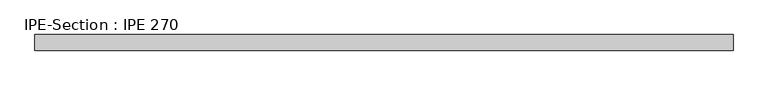
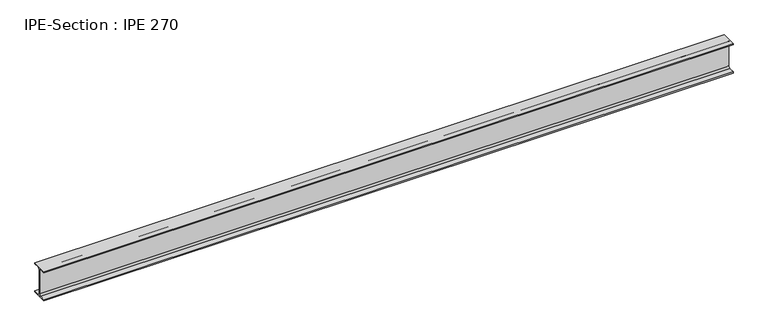
"""IFC4 building model written with IfcOpenShell, lengths in millimetres: beam geometry, IPE-Section : IPE 270."""

import ifcopenshell
import ifcopenshell.guid

model = None  # the IFC model being written
_history = None  # IfcOwnerHistory: only IFC2X3 demands one
_inside = {}  # id of a spatial element -> (the spatial element, [elements in it])
_under = {}  # id of a project, library or spatial element -> (it, [spatial elements below it])
_declared = {}  # id of a project -> (the project, [libraries it declares])
_typed = {}  # id of a type object -> (the type object, [elements of that type])
_made_of = {}  # id of a material, layer set ... -> (it, [elements and type objects made of it])


def new_model(schema):
    """Start an empty IFC model of exactly this schema.

    Asked for "IFC4X3", IfcOpenShell would pick the latest addendum, in which some entities
    have other attributes; the version numbers below select the first issue.
    IFC2X3 requires an IfcOwnerHistory on every rooted entity: one is made here for all.
    """
    global model, _history
    if schema == "IFC4X3":
        model = ifcopenshell.file(schema_version=(4, 3, 0, 0))
    else:
        model = ifcopenshell.file(schema=schema)
    _inside.clear()
    _under.clear()
    _declared.clear()
    _typed.clear()
    _made_of.clear()
    _history = None
    if model.schema == "IFC2X3":
        org = make("IfcOrganization", Name="unknown")
        user = make(
            "IfcPersonAndOrganization",
            ThePerson=make("IfcPerson", FamilyName="unknown"),
            TheOrganization=org,
        )
        app = make(
            "IfcApplication",
            ApplicationDeveloper=org,
            Version="unknown",
            ApplicationFullName="unknown",
            ApplicationIdentifier="unknown",
        )
        _history = make(
            "IfcOwnerHistory",
            OwningUser=user,
            OwningApplication=app,
            ChangeAction="ADDED",
            CreationDate=0,
        )
    return model


def make(cls, **values):
    """One entity of the class cls with the attributes given. An attribute that is None is left unset."""
    return model.create_entity(
        cls, **{name: value for name, value in values.items() if value is not None}
    )


def rooted(cls, **values):
    """An entity with a GlobalId (a new one), such as an element, a storey or a relation."""
    return make(cls, GlobalId=ifcopenshell.guid.new(), OwnerHistory=_history, **values)


def si_unit(unit_type, name, prefix=None):
    """IfcSIUnit, for example si_unit("LENGTHUNIT", "METRE", prefix="MILLI")."""
    return make("IfcSIUnit", UnitType=unit_type, Prefix=prefix, Name=name)


def assignment(units):
    """IfcUnitAssignment: the units of a project."""
    return None if units is None else make("IfcUnitAssignment", Units=units)


def point(xyz):
    """IfcCartesianPoint."""
    return None if xyz is None else make("IfcCartesianPoint", Coordinates=xyz)


def direction(xyz):
    """IfcDirection."""
    return None if xyz is None else make("IfcDirection", DirectionRatios=xyz)


def frame(location, z_axis=None, x_axis=None):
    """IfcAxis2Placement3D, a coordinate frame: its origin and axes. An axis left out is left unset."""
    return make(
        "IfcAxis2Placement3D",
        Location=point(location),
        Axis=direction(z_axis),
        RefDirection=direction(x_axis),
    )


def frame_2d(location, x_axis=None):
    """IfcAxis2Placement2D, a coordinate frame in the plane: its origin and x axis."""
    return make(
        "IfcAxis2Placement2D", Location=point(location), RefDirection=direction(x_axis)
    )


def origin():
    """The frame at (0, 0, 0) with its axes left unset."""
    return frame((0.0, 0.0, 0.0))


def place(relative_to, where):
    """IfcLocalPlacement: puts the frame where relative to a parent placement (None: the world)."""
    return make(
        "IfcLocalPlacement", PlacementRelTo=relative_to, RelativePlacement=where
    )


def context(
    kind, dimensions, precision=None, world=None, true_north=None, identifier=None
):
    """IfcGeometricRepresentationContext, for example the 3D "Model" context."""
    return make(
        "IfcGeometricRepresentationContext",
        ContextIdentifier=identifier,
        ContextType=kind,
        CoordinateSpaceDimension=dimensions,
        Precision=precision,
        WorldCoordinateSystem=world,
        TrueNorth=true_north,
    )


def project(units=None, contexts=None):
    """IfcProject with its units and contexts."""
    return rooted(
        "IfcProject",
        Name="project",
        RepresentationContexts=contexts,
        UnitsInContext=assignment(units),
    )


def spatial(cls, under=None, at=None, **own):
    """A site, building, storey or space (cls), placed at a placement, below another one or the project."""
    s = rooted(cls, ObjectPlacement=at, **own)
    if under is not None:
        _under.setdefault(under.id(), (under, []))[1].append(s)
    return s


def polyline(points):
    """IfcPolyline through the points."""
    return make("IfcPolyline", Points=[point(p) for p in points])


def circle_curve(where, radius):
    """IfcCircle in the frame where."""
    return make("IfcCircle", Position=where, Radius=radius)


def trimmed(basis, trim1, trim2, sense, master):
    """IfcTrimmedCurve: the piece of a basis curve between two trims."""
    return make(
        "IfcTrimmedCurve",
        BasisCurve=basis,
        Trim1=trim1,
        Trim2=trim2,
        SenseAgreement=sense,
        MasterRepresentation=master,
    )


def segment(curve, same_sense, transition):
    """IfcCompositeCurveSegment."""
    return make(
        "IfcCompositeCurveSegment",
        Transition=transition,
        SameSense=same_sense,
        ParentCurve=curve,
    )


def composite_curve(segments, self_intersect=None):
    """IfcCompositeCurve: segments joined end to end."""
    return make("IfcCompositeCurve", Segments=segments, SelfIntersect=self_intersect)


def outline(outer, holes=None, kind="AREA"):
    """IfcArbitraryClosedProfileDef: a profile drawn as a closed curve; with holes, ...WithVoids."""
    if holes is None:
        return make("IfcArbitraryClosedProfileDef", ProfileType=kind, OuterCurve=outer)
    return make(
        "IfcArbitraryProfileDefWithVoids",
        ProfileType=kind,
        OuterCurve=outer,
        InnerCurves=holes,
    )


def extrude(swept, where, along, depth):
    """IfcExtrudedAreaSolid: the profile swept, set in the frame where, extruded along a direction by depth."""
    return make(
        "IfcExtrudedAreaSolid",
        SweptArea=swept,
        Position=where,
        ExtrudedDirection=direction(along),
        Depth=depth,
    )


def shape(context_of_items, identifier, shape_type, items):
    """IfcShapeRepresentation: the items that make up one representation, for example the "Body"."""
    return make(
        "IfcShapeRepresentation",
        ContextOfItems=context_of_items,
        RepresentationIdentifier=identifier,
        RepresentationType=shape_type,
        Items=items,
    )


def source(mapping_origin, context_of_items, identifier, shape_type, items):
    """IfcRepresentationMap: a shape defined once, which mapped items show again and again."""
    return make(
        "IfcRepresentationMap",
        MappingOrigin=mapping_origin,
        MappedRepresentation=shape(context_of_items, identifier, shape_type, items),
    )


def transform(
    local_origin,
    x_axis=None,
    y_axis=None,
    z_axis=None,
    scale=None,
    scale2=None,
    scale3=None,
    uniform=True,
):
    """IfcCartesianTransformationOperator3D, or its non-uniform kind. x_axis, y_axis, z_axis: its Axis1, 2, 3."""
    if uniform:
        return make(
            "IfcCartesianTransformationOperator3D",
            Axis1=direction(x_axis),
            Axis2=direction(y_axis),
            LocalOrigin=point(local_origin),
            Scale=scale,
            Axis3=direction(z_axis),
        )
    return make(
        "IfcCartesianTransformationOperator3DnonUniform",
        Axis1=direction(x_axis),
        Axis2=direction(y_axis),
        LocalOrigin=point(local_origin),
        Scale=scale,
        Axis3=direction(z_axis),
        Scale2=scale2,
        Scale3=scale3,
    )


def mapped(mapping_source, mapping_target):
    """IfcMappedItem: shows the shape of a source again, moved by a transform."""
    return make(
        "IfcMappedItem", MappingSource=mapping_source, MappingTarget=mapping_target
    )


def made_of(thing, what):
    """Note that an element or type object is made of a material, layer set ...; save() writes the relation."""
    if what is not None:
        _made_of.setdefault(what.id(), (what, []))[1].append(thing)
    return thing


def element(
    cls,
    number,
    at=None,
    inside=None,
    cuts=None,
    type_object=None,
    material=None,
    context=None,
    identifier="Body",
    shape_type=None,
    held_by="IfcProductDefinitionShape",
    body=None,
    shapes=None,
    **own,
):
    """One element of the class cls, such as IfcWall. Its Tag is "e" and its number.

    at: its placement. inside: the storey or other place that contains it. cuts: it is an
    opening in that element (IfcRelVoidsElement). A single representation is given by context,
    identifier, shape_type and body (its items); several are given by shapes. held_by: the class
    of the entity that holds the representations. save() writes the other relations.
    """
    e = rooted(cls, Tag="e%d" % number, ObjectPlacement=at, **own)
    if body is not None:
        shapes = [shape(context, identifier, shape_type, body)]
    if shapes is not None:
        e.Representation = make(held_by, Representations=shapes)
    if inside is not None:
        _inside.setdefault(inside.id(), (inside, []))[1].append(e)
    if cuts is not None:
        rooted(
            "IfcRelVoidsElement", RelatingBuildingElement=cuts, RelatedOpeningElement=e
        )
    if type_object is not None:
        _typed.setdefault(type_object.id(), (type_object, []))[1].append(e)
    return made_of(e, material)


def aggregate(whole, parts):
    """IfcRelAggregates: a whole, such as a stair, and the parts it consists of."""
    return rooted("IfcRelAggregates", RelatingObject=whole, RelatedObjects=parts)


def save(model, path):
    """Write the relations noted so far, then the file.

    IfcRelAggregates (storeys below a building ...), IfcRelContainedInSpatialStructure (elements
    in a storey), IfcRelDefinesByType, IfcRelAssociatesMaterial and IfcRelDeclares: one each for
    every whole, place, type object, material and project.
    """
    for whole, parts in _under.values():
        aggregate(whole, parts)
    for where, things in _inside.values():
        rooted(
            "IfcRelContainedInSpatialStructure",
            RelatedElements=things,
            RelatingStructure=where,
        )
    for kind, things in _typed.values():
        rooted("IfcRelDefinesByType", RelatedObjects=things, RelatingType=kind)
    for what, things in _made_of.values():
        rooted("IfcRelAssociatesMaterial", RelatedObjects=things, RelatingMaterial=what)
    for by, libraries in _declared.values():
        rooted("IfcRelDeclares", RelatingContext=by, RelatedDefinitions=libraries)
    model.write(path)


def ipe_section_ipe_270_0d567638(model_context):
    return source(origin(), model_context, "Body", "SweptSolid", [
        extrude(outline(composite_curve([segment(polyline([(-67.5, -124.8), (-18.3, -124.8)]), True, "CONTINUOUS"), segment(trimmed(circle_curve(frame_2d((-18.3, -109.8)), 15.0), [point((-18.3, -124.8))], [point((-3.3, -109.8))], True, "CARTESIAN"), True, "CONTINUOUS"), segment(polyline([(-3.3, -109.8), (-3.3, 109.8)]), True, "CONTINUOUS"), segment(trimmed(circle_curve(frame_2d((-18.3, 109.8)), 15.0), [point((-3.3, 109.8))], [point((-18.3, 124.8))], True, "CARTESIAN"), True, "CONTINUOUS"), segment(polyline([(-18.3, 124.8), (-67.5, 124.8), (-67.5, 135.0), (67.5, 135.0), (67.5, 124.8), (18.3, 124.8)]), True, "CONTINUOUS"), segment(trimmed(circle_curve(frame_2d((18.3, 109.8)), 15.0), [point((18.3, 124.8))], [point((3.3, 109.8))], True, "CARTESIAN"), True, "CONTINUOUS"), segment(polyline([(3.3, 109.8), (3.3, -109.8)]), True, "CONTINUOUS"), segment(trimmed(circle_curve(frame_2d((18.3, -109.8)), 15.0), [point((3.3, -109.8))], [point((18.3, -124.8))], True, "CARTESIAN"), True, "CONTINUOUS"), segment(polyline([(18.3, -124.8), (67.5, -124.8), (67.5, -135.0), (-67.5, -135.0), (-67.5, -124.8)]), True, "CONTINUOUS")], self_intersect=False)), frame((-3007.3, 0.0, 0.0), z_axis=(1.0, 0.0, 0.0), x_axis=(0.0, 1.0, 0.0)), (0.0, 0.0, 1.0), 6014.6),
    ])


if __name__ == "__main__":
    model = new_model("IFC4")
    model_context = context("Model", 3, world=origin())
    ifc_project = project(units=[si_unit("LENGTHUNIT", "METRE", prefix="MILLI")], contexts=[model_context])
    site = spatial("IfcSite", under=ifc_project)
    building = spatial("IfcBuilding", under=site)
    placement = place(None, origin())
    ipe_section_ipe_270_shape = ipe_section_ipe_270_0d567638(model_context)
    element("IfcBeam", 1, ObjectType="IPE-Section : IPE 270", at=placement, inside=building, context=model_context, shape_type="MappedRepresentation", body=[
        mapped(ipe_section_ipe_270_shape, transform((0.0, 0.0, 0.0), x_axis=(1.0, 0.0, 0.0), y_axis=(0.0, 1.0, 0.0), z_axis=(0.0, 0.0, 1.0))),
    ])
    save(model, "model.ifc")
